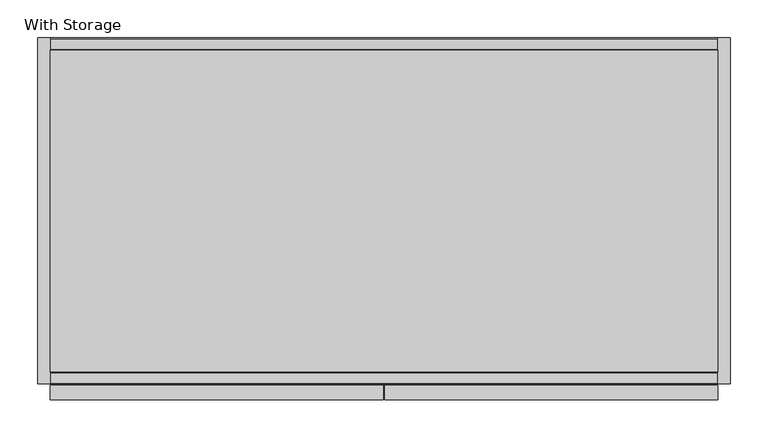
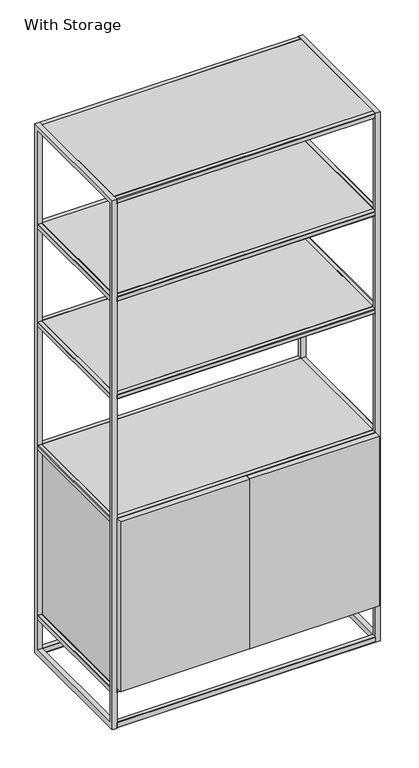
"""IFC4 building model written with IfcOpenShell, lengths in millimetres: furniture geometry, With Storage."""

from ifc_helpers import new_model, si_unit, frame, origin, place, context, project, spatial, polyline, outline, extrude, source, transform, mapped, element, save


def with_storage_5e072f64(model_context):
    return source(origin(), model_context, "Body", "SweptSolid", [
        extrude(outline(polyline([(-1.778, 1.3619377), (-3.1399377, 0.0), (-16.3996092, 0.0), (-18.034, 1.7657197), (-18.034, 17.9909329), (-16.3996092, 19.6253237), (-3.1399377, 19.6253237), (-1.778, 18.263386), (-1.778, 1.3619377)])), frame((16.1568429, 0.0, 0.0), z_axis=(1.0, 0.0, 0.0), x_axis=(0.0, 1.0, 0.0)), (0.0, 0.0, 1.0), 881.9871571),
        extrude(outline(polyline([(-458.978, 1.2971853), (-458.978, 18.3281384), (-457.6808147, 19.6253237), (-444.4211432, 19.6253237), (-442.7867523, 17.9909329), (-442.7867523, 1.7657197), (-444.4211432, 0.0), (-457.6808147, 0.0), (-458.978, 1.2971853)])), frame((16.1568429, 0.0, 0.0), z_axis=(1.0, 0.0, 0.0), x_axis=(0.0, 1.0, 0.0)), (0.0, 0.0, 1.0), 881.9871571),
        extrude(outline(polyline([(458.47, -479.7785848), (458.47, -460.754168), (898.144, -460.754168), (898.144, -479.7785848), (458.47, -479.7785848)])), frame((0.0, 0.0, 143.5462254), z_axis=(0.0, 0.0, 1.0), x_axis=(1.0, 0.0, 0.0)), (0.0, 0.0, 1.0), 611.8914538),
        extrude(outline(polyline([(455.93, -460.754168), (455.93, -479.7785848), (16.1568429, -479.7785848), (16.1568429, -460.754168), (455.93, -460.754168)])), frame((0.0, 0.0, 143.5462254), z_axis=(0.0, 0.0, 1.0), x_axis=(1.0, 0.0, 0.0)), (0.0, 0.0, 1.0), 611.8914538),
        extrude(outline(polyline([(898.144, -18.1323782), (898.144, -442.7867523), (16.1568429, -442.7867523), (16.1568429, -18.1323782), (898.144, -18.1323782)])), frame((0.0, 0.0, 143.6496984), z_axis=(0.0, 0.0, 1.0), x_axis=(1.0, 0.0, 0.0)), (0.0, 0.0, 1.0), 595.7443016),
        extrude(outline(polyline([(141.8726576, 0.0), (128.8872913, 0.0), (127.5025281, 1.3847632), (127.5025281, 14.7274123), (128.7608398, 16.1568429), (142.0391534, 16.1568429), (143.5462254, 14.4449861), (143.5462254, 1.6735678), (141.8726576, 0.0)])), frame((0.0, -442.7867523, 0.0), z_axis=(0.0, 1.0, 0.0), x_axis=(0.0, 0.0, 1.0)), (0.0, 0.0, 1.0), 424.7527523),
        extrude(outline(polyline([(141.7735005, 914.4), (143.5462254, 912.6272751), (143.5462254, 899.8558568), (142.0391534, 898.144), (128.7608398, 898.144), (127.5025281, 899.5734306), (127.5025281, 912.9160797), (128.9864484, 914.4), (141.7735005, 914.4)])), frame((0.0, -442.7867523, 0.0), z_axis=(0.0, 1.0, 0.0), x_axis=(0.0, 0.0, 1.0)), (0.0, 0.0, 1.0), 424.7527523),
        extrude(outline(polyline([(753.7641114, 0.0), (740.778745, 0.0), (739.394, 1.384745), (739.394, 14.7274329), (740.6522936, 16.1568429), (753.9306071, 16.1568429), (755.4376791, 14.4449861), (755.4376791, 1.6735678), (753.7641114, 0.0)])), frame((0.0, -442.7867523, 0.0), z_axis=(0.0, 1.0, 0.0), x_axis=(0.0, 0.0, 1.0)), (0.0, 0.0, 1.0), 424.7527523),
        extrude(outline(polyline([(753.6649543, 914.4), (755.4376791, 912.6272751), (755.4376791, 899.8558568), (753.9306071, 898.144), (740.6522936, 898.144), (739.394, 899.57341), (739.394, 912.9160979), (740.8779021, 914.4), (753.6649543, 914.4)])), frame((0.0, -442.7867523, 0.0), z_axis=(0.0, 1.0, 0.0), x_axis=(0.0, 0.0, 1.0)), (0.0, 0.0, 1.0), 424.7527523),
        extrude(outline(polyline([(1198.2626371, 0.0), (1185.2772708, 0.0), (1183.7621922, 1.5150786), (1183.7621922, 14.5793751), (1185.1508194, 16.1568429), (1198.4291329, 16.1568429), (1199.9362049, 14.4449861), (1199.9362049, 1.6735678), (1198.2626371, 0.0)])), frame((0.0, -442.7867523, 0.0), z_axis=(0.0, 1.0, 0.0), x_axis=(0.0, 0.0, 1.0)), (0.0, 0.0, 1.0), 424.7527523),
        extrude(outline(polyline([(1198.16348, 914.4), (1199.9362049, 912.6272751), (1199.9362049, 899.8558568), (1198.4291329, 898.144), (1185.1508194, 898.144), (1183.7621922, 899.7214678), (1183.7621922, 912.7857643), (1185.3764279, 914.4), (1198.16348, 914.4)])), frame((0.0, -442.7867523, 0.0), z_axis=(0.0, 1.0, 0.0), x_axis=(0.0, 0.0, 1.0)), (0.0, 0.0, 1.0), 424.7527523),
        extrude(outline(polyline([(1550.6040666, 0.0), (1537.6187003, 0.0), (1536.1036217, 1.5150786), (1536.1036217, 14.5793751), (1537.4922489, 16.1568429), (1550.7705624, 16.1568429), (1552.2776344, 14.4449861), (1552.2776344, 1.6735678), (1550.6040666, 0.0)])), frame((0.0, -442.7867523, 0.0), z_axis=(0.0, 1.0, 0.0), x_axis=(0.0, 0.0, 1.0)), (0.0, 0.0, 1.0), 424.7527523),
        extrude(outline(polyline([(1550.5049095, 914.4), (1552.2776344, 912.6272751), (1552.2776344, 899.8558568), (1550.7705624, 898.144), (1537.4922489, 898.144), (1536.1036217, 899.7214678), (1536.1036217, 912.7857643), (1537.7178574, 914.4), (1550.5049095, 914.4)])), frame((0.0, -442.7867523, 0.0), z_axis=(0.0, 1.0, 0.0), x_axis=(0.0, 0.0, 1.0)), (0.0, 0.0, 1.0), 424.7527523),
        extrude(outline(polyline([(898.144, -18.034), (898.144, -442.7867523), (16.1568429, -442.7867523), (16.1568429, -18.034), (898.144, -18.034)])), frame((0.0, 0.0, 1183.7621922), z_axis=(0.0, 0.0, 1.0), x_axis=(1.0, 0.0, 0.0)), (0.0, 0.0, 1.0), 16.1740128),
        extrude(outline(polyline([(898.144, -18.034), (898.144, -442.7867523), (16.1568429, -442.7867523), (16.1568429, -18.034), (898.144, -18.034)])), frame((0.0, 0.0, 1536.1036217), z_axis=(0.0, 0.0, 1.0), x_axis=(1.0, 0.0, 0.0)), (0.0, 0.0, 1.0), 16.1740128),
        extrude(outline(polyline([(898.144, -18.034), (898.144, -442.7867523), (16.1568429, -442.7867523), (16.1568429, -18.034), (898.144, -18.034)])), frame((0.0, 0.0, 739.394), z_axis=(0.0, 0.0, 1.0), x_axis=(1.0, 0.0, 0.0)), (0.0, 0.0, 1.0), 16.0436791),
        extrude(outline(polyline([(898.144, -18.034), (898.144, -442.7867523), (16.1568429, -442.7867523), (16.1568429, -18.034), (898.144, -18.034)])), frame((0.0, 0.0, 127.5025281), z_axis=(0.0, 0.0, 1.0), x_axis=(1.0, 0.0, 0.0)), (0.0, 0.0, 1.0), 16.0436973),
        extrude(outline(polyline([(898.144, -18.034), (898.144, -442.7867523), (16.1568429, -442.7867523), (16.1568429, -18.034), (898.144, -18.034)])), frame((0.0, 0.0, 1888.8259872), z_axis=(0.0, 0.0, 1.0), x_axis=(1.0, 0.0, 0.0)), (0.0, 0.0, 1.0), 16.1740128),
        extrude(outline(polyline([(-1.778, 0.0), (-458.978, 0.0), (-458.978, 1905.0), (-1.778, 1905.0), (-1.778, 0.0)]), holes=[polyline([(-442.7867523, 1888.8259872), (-442.7867523, 19.6253237), (-18.034, 19.6253237), (-18.034, 1888.8259872), (-442.7867523, 1888.8259872)])]), frame((898.144, 0.0, 0.0), z_axis=(1.0, 0.0, 0.0), x_axis=(0.0, 1.0, 0.0)), (0.0, 0.0, 1.0), 16.256),
        extrude(outline(polyline([(-1.778, 0.0), (-458.978, 0.0), (-458.978, 1905.0), (-1.778, 1905.0), (-1.778, 0.0)]), holes=[polyline([(-442.7867523, 1888.8259872), (-442.7867523, 19.6253237), (-18.034, 19.6253237), (-18.034, 1888.8259872), (-442.7867523, 1888.8259872)])]), frame((0.0, 0.0, 0.0), z_axis=(1.0, 0.0, 0.0), x_axis=(0.0, 1.0, 0.0)), (0.0, 0.0, 1.0), 16.1568429),
        extrude(outline(polyline([(-1.778, 1890.3182404), (-3.2702531, 1888.8259872), (-16.2789862, 1888.8259872), (-18.034, 1890.7220224), (-18.034, 1903.6369648), (-16.6709648, 1905.0), (-2.9737057, 1905.0), (-1.778, 1903.8042943), (-1.778, 1890.3182404)])), frame((16.1568429, 0.0, 0.0), z_axis=(1.0, 0.0, 0.0), x_axis=(0.0, 1.0, 0.0)), (0.0, 0.0, 1.0), 881.9871571),
        extrude(outline(polyline([(-458.978, 1890.3182404), (-458.978, 1903.8042943), (-457.7822943, 1905.0), (-444.2214367, 1905.0), (-442.7867523, 1903.7017172), (-442.7867523, 1890.652067), (-444.6134154, 1888.8259872), (-457.4857469, 1888.8259872), (-458.978, 1890.3182404)])), frame((16.1568429, 0.0, 0.0), z_axis=(1.0, 0.0, 0.0), x_axis=(0.0, 1.0, 0.0)), (0.0, 0.0, 1.0), 881.9871571),
        extrude(outline(polyline([(-1.778, 1537.5958748), (-3.2702531, 1536.1036217), (-16.2789862, 1536.1036217), (-18.034, 1537.9996569), (-18.034, 1550.9145992), (-16.6709648, 1552.2776344), (-2.9737057, 1552.2776344), (-1.778, 1551.0819287), (-1.778, 1537.5958748)])), frame((16.1568429, 0.0, 0.0), z_axis=(1.0, 0.0, 0.0), x_axis=(0.0, 1.0, 0.0)), (0.0, 0.0, 1.0), 881.9871571),
        extrude(outline(polyline([(-458.978, 1537.5958748), (-458.978, 1551.0819287), (-457.7822943, 1552.2776344), (-444.2214367, 1552.2776344), (-442.7867523, 1550.9793516), (-442.7867523, 1537.9297014), (-444.6134154, 1536.1036217), (-457.4857469, 1536.1036217), (-458.978, 1537.5958748)])), frame((16.1568429, 0.0, 0.0), z_axis=(1.0, 0.0, 0.0), x_axis=(0.0, 1.0, 0.0)), (0.0, 0.0, 1.0), 881.9871571),
        extrude(outline(polyline([(-1.778, 1185.2544453), (-3.2702531, 1183.7621922), (-16.2789862, 1183.7621922), (-18.034, 1185.6582273), (-18.034, 1198.5731697), (-16.6709648, 1199.9362049), (-2.9737057, 1199.9362049), (-1.778, 1198.7404992), (-1.778, 1185.2544453)])), frame((16.1568429, 0.0, 0.0), z_axis=(1.0, 0.0, 0.0), x_axis=(0.0, 1.0, 0.0)), (0.0, 0.0, 1.0), 881.9871571),
        extrude(outline(polyline([(-458.978, 1185.2544453), (-458.978, 1198.7404992), (-457.7822943, 1199.9362049), (-444.2214367, 1199.9362049), (-442.7867523, 1198.6379221), (-442.7867523, 1185.5882719), (-444.6134154, 1183.7621922), (-457.4857469, 1183.7621922), (-458.978, 1185.2544453)])), frame((16.1568429, 0.0, 0.0), z_axis=(1.0, 0.0, 0.0), x_axis=(0.0, 1.0, 0.0)), (0.0, 0.0, 1.0), 881.9871571),
        extrude(outline(polyline([(-1.778, 740.7559377), (-3.1399377, 739.394), (-16.3996092, 739.394), (-18.034, 741.1597197), (-18.034, 754.0746621), (-16.670983, 755.4376791), (-2.9736875, 755.4376791), (-1.778, 754.2419916), (-1.778, 740.7559377)])), frame((16.1568429, 0.0, 0.0), z_axis=(1.0, 0.0, 0.0), x_axis=(0.0, 1.0, 0.0)), (0.0, 0.0, 1.0), 881.9871571),
        extrude(outline(polyline([(-458.978, 740.7559377), (-458.978, 754.2419916), (-457.7823125, 755.4376791), (-444.2214186, 755.4376791), (-442.7867523, 754.1394145), (-442.7867523, 741.0897643), (-444.4927924, 739.394), (-457.6160623, 739.394), (-458.978, 740.7559377)])), frame((16.1568429, 0.0, 0.0), z_axis=(1.0, 0.0, 0.0), x_axis=(0.0, 1.0, 0.0)), (0.0, 0.0, 1.0), 881.9871571),
        extrude(outline(polyline([(-1.778, 128.8644658), (-3.1399377, 127.5025281), (-16.3996092, 127.5025281), (-18.034, 129.2682478), (-18.034, 142.1831902), (-16.6709648, 143.5462254), (-2.9737057, 143.5462254), (-1.778, 142.3505197), (-1.778, 128.8644658)])), frame((16.1568429, 0.0, 0.0), z_axis=(1.0, 0.0, 0.0), x_axis=(0.0, 1.0, 0.0)), (0.0, 0.0, 1.0), 881.9871571),
        extrude(outline(polyline([(-458.978, 128.8644658), (-458.978, 142.3505197), (-457.7822943, 143.5462254), (-444.2214367, 143.5462254), (-442.7867523, 142.2479425), (-442.7867523, 129.1982924), (-444.4927924, 127.5025281), (-457.6160623, 127.5025281), (-458.978, 128.8644658)])), frame((16.1568429, 0.0, 0.0), z_axis=(1.0, 0.0, 0.0), x_axis=(0.0, 1.0, 0.0)), (0.0, 0.0, 1.0), 881.9871571),
    ])


if __name__ == "__main__":
    model = new_model("IFC4")
    model_context = context("Model", 3, world=origin())
    ifc_project = project(units=[si_unit("LENGTHUNIT", "METRE", prefix="MILLI")], contexts=[model_context])
    site = spatial("IfcSite", under=ifc_project)
    building = spatial("IfcBuilding", under=site)
    placement = place(None, origin())
    with_storage_shape = with_storage_5e072f64(model_context)
    element("IfcFurniture", 1, ObjectType="With Storage", at=placement, inside=building, context=model_context, shape_type="MappedRepresentation", body=[
        mapped(with_storage_shape, transform((0.0, 0.0, 0.0), x_axis=(1.0, 0.0, 0.0), y_axis=(0.0, 1.0, 0.0), z_axis=(0.0, 0.0, 1.0))),
    ])
    save(model, "model.ifc")
